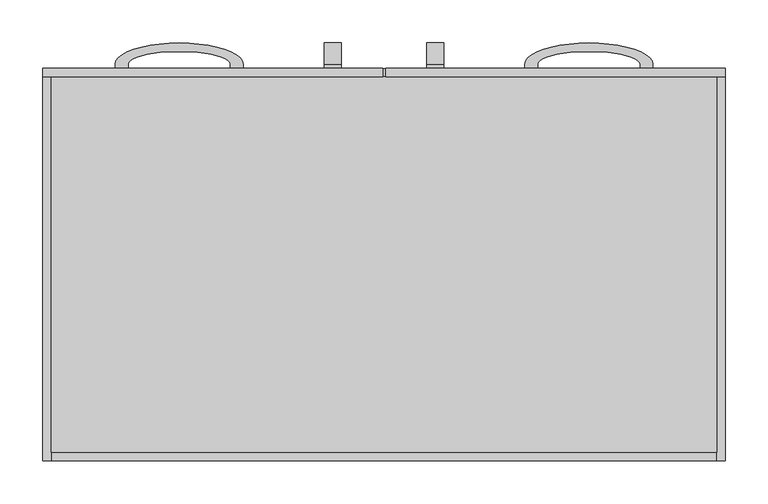
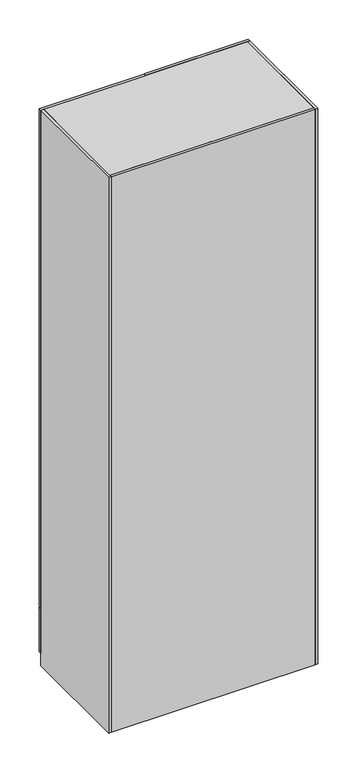
"""IFC4 building model written with IfcOpenShell, lengths in millimetres: furniture geometry."""

from ifc_helpers import new_model, si_unit, point, frame, origin, origin_with_axes, place, context, project, spatial, polyline, ellipse_curve, trimmed, outline, extrude, source, transform, mapped, element, save
from ifc_brep_helpers import plane_surface, extruded_surface, advanced_brep


def furniture_f5a150e0(model_context):
    return source(origin(), model_context, "Body", "SolidModel", [
        advanced_brep(
        [(-70.0, 230.0, 1090.0), (-70.0, 230.0, 1105.0), (-70.0, 235.0, 1105.0), (-70.0, 235.0, 955.0), (-70.0, 230.0, 955.0), (-70.0, 230.0, 970.0), (-70.0, 235.0, 970.0), (-70.0, 235.0, 1090.0), (-50.0, 230.0, 1090.0), (-50.0, 235.0, 1090.0), (-50.0, 235.0, 970.0), (-50.0, 230.0, 970.0), (-50.0, 230.0, 955.0), (-50.0, 235.0, 955.0), (-50.0, 235.0, 1105.0), (-50.0, 230.0, 1105.0)],
        [
            (0, 1),
            (1, 2),
            (2, 3, ellipse_curve(frame((-70.0, 235.0, 1030.0), z_axis=(-1.0, 0.0, 0.0), x_axis=(0.0, 0.0, 1.0)), 75.0, 25.0)),
            (3, 4),
            (4, 5),
            (5, 6),
            (6, 7, ellipse_curve(frame((-70.0, 235.0, 1030.0), z_axis=(1.0, 0.0, 0.0), x_axis=(0.0, 0.0, 1.0)), 60.0, 15.0)),
            (7, 0),
            (8, 9),
            (9, 10, ellipse_curve(frame((-50.0, 235.0, 1030.0), z_axis=(-1.0, 0.0, 0.0), x_axis=(0.0, 0.0, 1.0)), 60.0, 15.0)),
            (10, 11),
            (11, 12),
            (12, 13),
            (13, 14, ellipse_curve(frame((-50.0, 235.0, 1030.0), z_axis=(1.0, 0.0, 0.0), x_axis=(0.0, 0.0, 1.0)), 75.0, 25.0)),
            (14, 15),
            (15, 8),
            (7, 9),
            (8, 0),
            (6, 10),
            (5, 11),
            (4, 12),
            (3, 13),
            (2, 14),
            (1, 15),
        ],
        [
            plane_surface(frame((-70.0, 242.1119554, 1090.0), z_axis=(-1.0, 0.0, 0.0), x_axis=(0.0, 1.0, 0.0))),
            plane_surface(frame((-50.0, 242.1119554, 1090.0), z_axis=(1.0, 0.0, 0.0), x_axis=(0.0, -1.0, 0.0))),
            plane_surface(frame((-70.0, 230.0, 1090.0), z_axis=(0.0, 0.0, -1.0), x_axis=(1.0, 0.0, 0.0))),
            extruded_surface(trimmed(ellipse_curve(frame((-50.0, 235.0, 1030.0), z_axis=(-1.0, 0.0, 0.0), x_axis=(0.0, 0.0, 1.0)), 60.0, 15.0), [point((-50.0, 235.0, 1090.0))], [point((-50.0, 235.0, 970.0))], True, "CARTESIAN"), (20.0, 0.0, 0.0), 20.0),
            plane_surface(frame((-70.0, 235.0, 970.0), z_axis=(0.0, 0.0, 1.0), x_axis=(1.0, 0.0, 0.0))),
            plane_surface(frame((-70.0, 230.0, 970.0), z_axis=(0.0, -1.0, 0.0), x_axis=(1.0, 0.0, 0.0))),
            plane_surface(frame((-70.0, 230.0, 955.0), z_axis=(0.0, 0.0, -1.0), x_axis=(1.0, 0.0, 0.0))),
            extruded_surface(trimmed(ellipse_curve(frame((-50.0, 235.0, 1030.0), z_axis=(1.0, 0.0, 0.0), x_axis=(0.0, 0.0, 1.0)), 75.0, 25.0), [point((-50.0, 235.0, 955.0))], [point((-50.0, 235.0, 1105.0))], True, "CARTESIAN"), (20.0, 0.0, 0.0), 20.0),
            plane_surface(frame((-70.0, 235.0, 1105.0), z_axis=(0.0, 0.0, 1.0), x_axis=(1.0, 0.0, 0.0))),
            plane_surface(frame((-70.0, 230.0, 1105.0), z_axis=(0.0, -1.0, 0.0), x_axis=(1.0, 0.0, 0.0))),
        ],
        [
            (0, [[1, 2, 3, 4, 5, 6, 7, 8]]),
            (1, [[9, 10, 11, 12, 13, 14, 15, 16]]),
            (2, [[17, -9, 18, -8]]),
            (3, [[19, -10, -17, -7]]),
            (4, [[20, -11, -19, -6]]),
            (5, [[21, -12, -20, -5]]),
            (6, [[22, -13, -21, -4]]),
            (7, [[23, -14, -22, -3]]),
            (8, [[24, -15, -23, -2]]),
            (9, [[-18, -16, -24, -1]]),
        ],
    ),
        advanced_brep(
        [(70.0, 230.0, 1090.0), (70.0, 235.0, 1090.0), (70.0, 235.0, 970.0), (70.0, 230.0, 970.0), (70.0, 230.0, 955.0), (70.0, 235.0, 955.0), (70.0, 235.0, 1105.0), (70.0, 230.0, 1105.0), (50.0, 230.0, 1090.0), (50.0, 230.0, 1105.0), (50.0, 235.0, 1105.0), (50.0, 235.0, 955.0), (50.0, 230.0, 955.0), (50.0, 230.0, 970.0), (50.0, 235.0, 970.0), (50.0, 235.0, 1090.0)],
        [
            (0, 1),
            (1, 2, ellipse_curve(frame((70.0, 235.0, 1030.0), z_axis=(-1.0, 0.0, 0.0), x_axis=(0.0, 0.0, 1.0)), 60.0, 15.0)),
            (2, 3),
            (3, 4),
            (4, 5),
            (5, 6, ellipse_curve(frame((70.0, 235.0, 1030.0), z_axis=(1.0, 0.0, 0.0), x_axis=(0.0, 0.0, 1.0)), 75.0, 25.0)),
            (6, 7),
            (7, 0),
            (8, 9),
            (9, 10),
            (10, 11, ellipse_curve(frame((50.0, 235.0, 1030.0), z_axis=(-1.0, 0.0, 0.0), x_axis=(0.0, 0.0, 1.0)), 75.0, 25.0)),
            (11, 12),
            (12, 13),
            (13, 14),
            (14, 15, ellipse_curve(frame((50.0, 235.0, 1030.0), z_axis=(1.0, 0.0, 0.0), x_axis=(0.0, 0.0, 1.0)), 60.0, 15.0)),
            (15, 8),
            (0, 8),
            (15, 1),
            (14, 2),
            (13, 3),
            (12, 4),
            (11, 5),
            (10, 6),
            (9, 7),
        ],
        [
            plane_surface(frame((70.0, 242.1119554, 1090.0), z_axis=(1.0, 0.0, 0.0), x_axis=(0.0, 1.0, 0.0))),
            plane_surface(frame((50.0, 242.1119554, 1090.0), z_axis=(-1.0, 0.0, 0.0), x_axis=(0.0, -1.0, 0.0))),
            plane_surface(frame((70.0, 230.0, 1090.0), z_axis=(0.0, 0.0, -1.0), x_axis=(-1.0, 0.0, 0.0))),
            extruded_surface(trimmed(ellipse_curve(frame((30.0, 235.0, 1030.0), z_axis=(-1.0, 0.0, 0.0), x_axis=(0.0, 0.0, 1.0)), 60.0, 15.0), [point((30.0, 235.0, 1090.0))], [point((30.0, 235.0, 970.0))], True, "CARTESIAN"), (20.0, 0.0, 0.0), 20.0),
            plane_surface(frame((70.0, 235.0, 970.0), z_axis=(0.0, 0.0, 1.0), x_axis=(-1.0, 0.0, 0.0))),
            plane_surface(frame((70.0, 230.0, 970.0), z_axis=(0.0, -1.0, 0.0), x_axis=(-1.0, 0.0, 0.0))),
            plane_surface(frame((70.0, 230.0, 955.0), z_axis=(0.0, 0.0, -1.0), x_axis=(-1.0, 0.0, 0.0))),
            extruded_surface(trimmed(ellipse_curve(frame((30.0, 235.0, 1030.0), z_axis=(1.0, 0.0, 0.0), x_axis=(0.0, 0.0, 1.0)), 75.0, 25.0), [point((30.0, 235.0, 955.0))], [point((30.0, 235.0, 1105.0))], True, "CARTESIAN"), (20.0, 0.0, 0.0), 20.0),
            plane_surface(frame((70.0, 235.0, 1105.0), z_axis=(0.0, 0.0, 1.0), x_axis=(-1.0, 0.0, 0.0))),
            plane_surface(frame((70.0, 230.0, 1105.0), z_axis=(0.0, -1.0, 0.0), x_axis=(-1.0, 0.0, 0.0))),
        ],
        [
            (0, [[1, 2, 3, 4, 5, 6, 7, 8]]),
            (1, [[9, 10, 11, 12, 13, 14, 15, 16]]),
            (2, [[-1, 17, -16, 18]]),
            (3, [[-2, -18, -15, 19]]),
            (4, [[-3, -19, -14, 20]]),
            (5, [[-4, -20, -13, 21]]),
            (6, [[-5, -21, -12, 22]]),
            (7, [[-6, -22, -11, 23]]),
            (8, [[-7, -23, -10, 24]]),
            (9, [[-8, -24, -9, -17]]),
        ],
    ),
        advanced_brep(
        [(-300.0, 230.0, 140.0), (-315.0, 230.0, 140.0), (-315.0, 235.0, 140.0), (-165.0, 235.0, 140.0), (-165.0, 230.0, 140.0), (-180.0, 230.0, 140.0), (-180.0, 235.0, 140.0), (-300.0, 235.0, 140.0), (-300.0, 230.0, 160.0), (-300.0, 235.0, 160.0), (-180.0, 235.0, 160.0), (-180.0, 230.0, 160.0), (-165.0, 230.0, 160.0), (-165.0, 235.0, 160.0), (-315.0, 235.0, 160.0), (-315.0, 230.0, 160.0)],
        [
            (0, 1),
            (1, 2),
            (2, 3, ellipse_curve(frame((-240.0, 235.0, 140.0), z_axis=(0.0, 0.0, -1.0), x_axis=(-1.0, 0.0, 0.0)), 75.0, 25.0)),
            (3, 4),
            (4, 5),
            (5, 6),
            (6, 7, ellipse_curve(frame((-240.0, 235.0, 140.0), z_axis=(0.0, 0.0, 1.0), x_axis=(-1.0, 0.0, 0.0)), 60.0, 15.0)),
            (7, 0),
            (8, 9),
            (9, 10, ellipse_curve(frame((-240.0, 235.0, 160.0), z_axis=(0.0, 0.0, -1.0), x_axis=(-1.0, 0.0, 0.0)), 60.0, 15.0)),
            (10, 11),
            (11, 12),
            (12, 13),
            (13, 14, ellipse_curve(frame((-240.0, 235.0, 160.0), z_axis=(0.0, 0.0, 1.0), x_axis=(-1.0, 0.0, 0.0)), 75.0, 25.0)),
            (14, 15),
            (15, 8),
            (7, 9),
            (8, 0),
            (6, 10),
            (5, 11),
            (4, 12),
            (3, 13),
            (2, 14),
            (1, 15),
        ],
        [
            plane_surface(frame((-300.0, 242.1119554, 140.0), z_axis=(0.0, 0.0, -1.0), x_axis=(0.0, 1.0, 0.0))),
            plane_surface(frame((-300.0, 242.1119554, 160.0), z_axis=(0.0, 0.0, 1.0), x_axis=(0.0, -1.0, 0.0))),
            plane_surface(frame((-300.0, 230.0, 140.0), z_axis=(1.0, 0.0, 0.0), x_axis=(0.0, 0.0, 1.0))),
            extruded_surface(trimmed(ellipse_curve(frame((-240.0, 235.0, 160.0), z_axis=(0.0, 0.0, -1.0), x_axis=(-1.0, 0.0, 0.0)), 60.0, 15.0), [point((-300.0, 235.0, 160.0))], [point((-180.0, 235.0, 160.0))], True, "CARTESIAN"), (0.0, 0.0, 20.0), 20.0),
            plane_surface(frame((-180.0, 235.0, 140.0), z_axis=(-1.0, 0.0, 0.0), x_axis=(0.0, 0.0, 1.0))),
            plane_surface(frame((-180.0, 230.0, 140.0), z_axis=(0.0, -1.0, 0.0), x_axis=(0.0, 0.0, 1.0))),
            plane_surface(frame((-165.0, 230.0, 140.0), z_axis=(1.0, 0.0, 0.0), x_axis=(0.0, 0.0, 1.0))),
            extruded_surface(trimmed(ellipse_curve(frame((-240.0, 235.0, 160.0), z_axis=(0.0, 0.0, 1.0), x_axis=(-1.0, 0.0, 0.0)), 75.0, 25.0), [point((-165.0, 235.0, 160.0))], [point((-315.0, 235.0, 160.0))], True, "CARTESIAN"), (0.0, 0.0, 20.0), 20.0),
            plane_surface(frame((-315.0, 235.0, 140.0), z_axis=(-1.0, 0.0, 0.0), x_axis=(0.0, 0.0, 1.0))),
            plane_surface(frame((-315.0, 230.0, 140.0), z_axis=(0.0, -1.0, 0.0), x_axis=(0.0, 0.0, 1.0))),
        ],
        [
            (0, [[1, 2, 3, 4, 5, 6, 7, 8]]),
            (1, [[9, 10, 11, 12, 13, 14, 15, 16]]),
            (2, [[17, -9, 18, -8]]),
            (3, [[19, -10, -17, -7]]),
            (4, [[20, -11, -19, -6]]),
            (5, [[21, -12, -20, -5]]),
            (6, [[22, -13, -21, -4]]),
            (7, [[23, -14, -22, -3]]),
            (8, [[24, -15, -23, -2]]),
            (9, [[-18, -16, -24, -1]]),
        ],
    ),
        advanced_brep(
        [(300.0, 230.0, 140.0), (300.0, 235.0, 140.0), (180.0, 235.0, 140.0), (180.0, 230.0, 140.0), (165.0, 230.0, 140.0), (165.0, 235.0, 140.0), (315.0, 235.0, 140.0), (315.0, 230.0, 140.0), (300.0, 230.0, 160.0), (315.0, 230.0, 160.0), (315.0, 235.0, 160.0), (165.0, 235.0, 160.0), (165.0, 230.0, 160.0), (180.0, 230.0, 160.0), (180.0, 235.0, 160.0), (300.0, 235.0, 160.0)],
        [
            (0, 1),
            (1, 2, ellipse_curve(frame((240.0, 235.0, 140.0), z_axis=(0.0, 0.0, 1.0), x_axis=(1.0, 0.0, 0.0)), 60.0, 15.0)),
            (2, 3),
            (3, 4),
            (4, 5),
            (5, 6, ellipse_curve(frame((240.0, 235.0, 140.0), z_axis=(0.0, 0.0, -1.0), x_axis=(1.0, 0.0, 0.0)), 75.0, 25.0)),
            (6, 7),
            (7, 0),
            (8, 9),
            (9, 10),
            (10, 11, ellipse_curve(frame((240.0, 235.0, 160.0), z_axis=(0.0, 0.0, 1.0), x_axis=(1.0, 0.0, 0.0)), 75.0, 25.0)),
            (11, 12),
            (12, 13),
            (13, 14),
            (14, 15, ellipse_curve(frame((240.0, 235.0, 160.0), z_axis=(0.0, 0.0, -1.0), x_axis=(1.0, 0.0, 0.0)), 60.0, 15.0)),
            (15, 8),
            (0, 8),
            (15, 1),
            (14, 2),
            (13, 3),
            (12, 4),
            (11, 5),
            (10, 6),
            (9, 7),
        ],
        [
            plane_surface(frame((300.0, 242.1119554, 140.0), z_axis=(0.0, 0.0, -1.0), x_axis=(0.0, 1.0, 0.0))),
            plane_surface(frame((300.0, 242.1119554, 160.0), z_axis=(0.0, 0.0, 1.0), x_axis=(0.0, -1.0, 0.0))),
            plane_surface(frame((300.0, 230.0, 140.0), z_axis=(-1.0, 0.0, 0.0), x_axis=(0.0, 0.0, 1.0))),
            extruded_surface(trimmed(ellipse_curve(frame((240.0, 235.0, 180.0), z_axis=(0.0, 0.0, 1.0), x_axis=(1.0, 0.0, 0.0)), 60.0, 15.0), [point((300.0, 235.0, 180.0))], [point((180.0, 235.0, 180.0))], True, "CARTESIAN"), (0.0, 0.0, -20.0), 20.0),
            plane_surface(frame((180.0, 235.0, 140.0), z_axis=(1.0, 0.0, 0.0), x_axis=(0.0, 0.0, 1.0))),
            plane_surface(frame((180.0, 230.0, 140.0), z_axis=(0.0, -1.0, 0.0), x_axis=(0.0, 0.0, 1.0))),
            plane_surface(frame((165.0, 230.0, 140.0), z_axis=(-1.0, 0.0, 0.0), x_axis=(0.0, 0.0, 1.0))),
            extruded_surface(trimmed(ellipse_curve(frame((240.0, 235.0, 180.0), z_axis=(0.0, 0.0, -1.0), x_axis=(1.0, 0.0, 0.0)), 75.0, 25.0), [point((165.0, 235.0, 180.0))], [point((315.0, 235.0, 180.0))], True, "CARTESIAN"), (0.0, 0.0, -20.0), 20.0),
            plane_surface(frame((315.0, 235.0, 140.0), z_axis=(1.0, 0.0, 0.0), x_axis=(0.0, 0.0, 1.0))),
            plane_surface(frame((315.0, 230.0, 140.0), z_axis=(0.0, -1.0, 0.0), x_axis=(0.0, 0.0, 1.0))),
        ],
        [
            (0, [[1, 2, 3, 4, 5, 6, 7, 8]]),
            (1, [[9, 10, 11, 12, 13, 14, 15, 16]]),
            (2, [[-1, 17, -16, 18]]),
            (3, [[-2, -18, -15, 19]]),
            (4, [[-3, -19, -14, 20]]),
            (5, [[-4, -20, -13, 21]]),
            (6, [[-5, -21, -12, 22]]),
            (7, [[-6, -22, -11, 23]]),
            (8, [[-7, -23, -10, 24]]),
            (9, [[-8, -24, -9, -17]]),
        ],
    ),
        extrude(outline(polyline([(1.779776, 230.0), (400.0, 230.0), (400.0, 220.0), (1.779776, 220.0), (1.779776, 230.0)])), frame((0.0, 0.0, 234.990813), z_axis=(0.0, 0.0, 1.0), x_axis=(1.0, 0.0, 0.0)), (0.0, 0.0, 1.0), 2015.009187),
        extrude(outline(polyline([(-1.3749556, 230.0), (-1.3749556, 220.0), (-400.0, 220.0), (-400.0, 230.0), (-1.3749556, 230.0)])), frame((0.0, 0.0, 234.990813), z_axis=(0.0, 0.0, 1.0), x_axis=(1.0, 0.0, 0.0)), (0.0, 0.0, 1.0), 2015.009187),
        extrude(outline(polyline([(390.0, -220.0), (-390.0, -220.0), (-390.0, 220.0), (390.0, 220.0), (390.0, -220.0)])), frame((0.0, 0.0, 2240.0), z_axis=(0.0, 0.0, 1.0), x_axis=(1.0, 0.0, 0.0)), (0.0, 0.0, 1.0), 10.0),
        extrude(outline(polyline([(-390.0, 220.0), (-390.0, -230.0), (-400.0, -230.0), (-400.0, 220.0), (-390.0, 220.0)])), origin_with_axes(), (0.0, 0.0, 1.0), 2250.0),
        extrude(outline(polyline([(390.0, 220.0), (400.0, 220.0), (400.0, -230.0), (390.0, -230.0), (390.0, 220.0)])), origin_with_axes(), (0.0, 0.0, 1.0), 2250.0),
        extrude(outline(polyline([(390.0, 220.0), (390.0, 210.0), (-390.0, 210.0), (-390.0, 220.0), (390.0, 220.0)])), origin_with_axes(), (0.0, 0.0, 1.0), 50.0),
        extrude(outline(polyline([(400.0, 230.0), (400.0, 220.0), (-400.0, 220.0), (-400.0, 230.0), (400.0, 230.0)])), frame((0.0, 0.0, 50.0), z_axis=(0.0, 0.0, 1.0), x_axis=(1.0, 0.0, 0.0)), (0.0, 0.0, 1.0), 180.0),
        extrude(outline(polyline([(390.0, -230.0), (-390.0, -230.0), (-390.0, -220.0), (390.0, -220.0), (390.0, -230.0)])), origin_with_axes(), (0.0, 0.0, 1.0), 2250.0),
    ])


if __name__ == "__main__":
    model = new_model("IFC4")
    model_context = context("Model", 3, world=origin())
    ifc_project = project(units=[si_unit("LENGTHUNIT", "METRE", prefix="MILLI")], contexts=[model_context])
    site = spatial("IfcSite", under=ifc_project)
    building = spatial("IfcBuilding", under=site)
    placement = place(None, origin())
    furniture_shape = furniture_f5a150e0(model_context)
    element("IfcFurniture", 1, at=placement, inside=building, context=model_context, shape_type="MappedRepresentation", body=[
        mapped(furniture_shape, transform((0.0, 0.0, 0.0), x_axis=(1.0, 0.0, 0.0), y_axis=(0.0, 1.0, 0.0), z_axis=(0.0, 0.0, 1.0))),
    ])
    save(model, "model.ifc")
